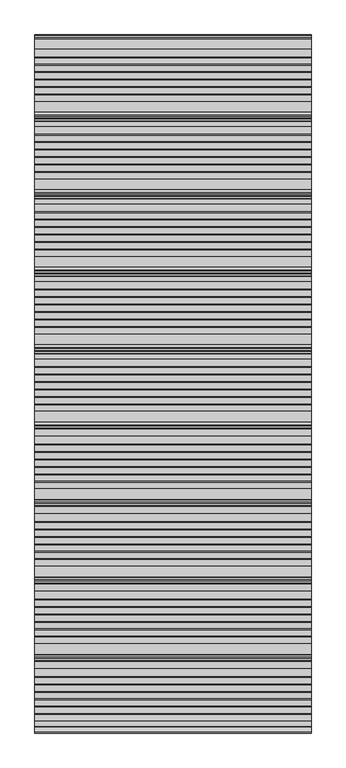
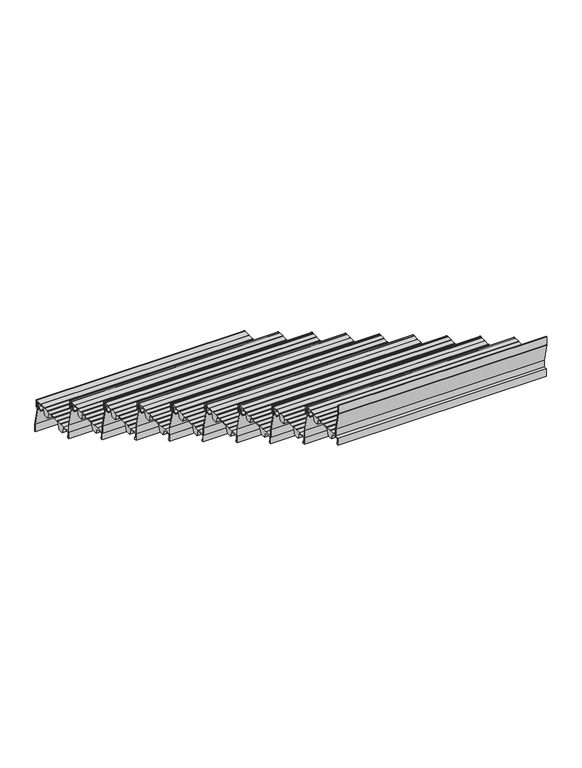
"""IFC4 building model written with IfcOpenShell, lengths in millimetres: stair flight geometry."""

from ifc_helpers import new_model, si_unit, point, frame, frame_2d, origin, place, context, project, spatial, polyline, circle_curve, trimmed, segment, composite_curve, outline, extrude, source, transform, mapped, element, save


def stair_flight_9313f477(model_context):
    return source(origin(), model_context, "Body", "SweptSolid", [
        extrude(outline(composite_curve([segment(polyline([(-10493.9543481, 2454.6255246), (-10482.1950555, 2463.7730431), (-10481.5863352, 2482.1121002), (-10498.6918101, 2482.1497993), (-10498.6918101, 2483.3256371), (-10519.2968571, 2483.2802252), (-10532.3695557, 2451.8853795), (-10557.2613358, 2451.8305199), (-10568.1854373, 2482.9835266), (-10638.8561525, 2482.8277739), (-10651.8500999, 2451.6220537), (-10676.74188, 2451.5671942), (-10687.4673614, 2482.1537825), (-10725.6889024, 2482.0695452), (-10725.6889024, 2460.7179675), (-10719.7889347, 2460.7309706), (-10719.7889347, 2451.4723219), (-10728.9832568, 2451.4520583), (-10728.9832568, 2487.3529412), (-10689.9967913, 2487.4388643), (-10689.9967913, 2485.5493441), (-10665.1489171, 2485.5493441), (-10665.1489171, 2487.4936271), (-10663.1143376, 2487.4936271), (-10663.1143376, 2485.5493441), (-10638.277169, 2485.5493441), (-10638.277169, 2487.4936271), (-10636.2425894, 2487.4936271), (-10636.2425894, 2485.5493441), (-10611.3960131, 2485.5493441), (-10611.3960131, 2487.4936271), (-10609.3614336, 2487.4936271), (-10609.3614336, 2485.5493441), (-10584.5148573, 2485.5493441), (-10584.5148573, 2487.4936271), (-10582.4802777, 2487.4936271), (-10582.4802777, 2485.5493441), (-10557.6337014, 2485.5493441), (-10557.6337014, 2487.4936271), (-10555.5991219, 2487.4936271), (-10555.5991219, 2485.5493441), (-10530.7525456, 2485.5493441), (-10530.7525456, 2487.4936271), (-10528.717966, 2487.4936271), (-10528.717966, 2485.90479), (-10498.6918101, 2485.9709653), (-10498.6918101, 2487.3529412), (-10463.9832568, 2487.3529412)]), True, "CONTINUOUS"), segment(trimmed(circle_curve(frame_2d((-10463.9832568, 2482.3529412)), 5.0), [point((-10463.9832568, 2487.3529412))], [point((-10458.9832568, 2482.3529412))], False, "CARTESIAN"), True, "CONTINUOUS"), segment(polyline([(-10458.9832568, 2482.3529412), (-10458.9832568, 2451.4723219), (-10468.1775789, 2451.4723219), (-10468.1775789, 2460.7309706), (-10462.2776112, 2460.7179675), (-10462.2776112, 2482.0695452), (-10479.0975213, 2482.106615), (-10479.7547193, 2462.3070603), (-10493.0405433, 2451.9720575), (-10497.3980683, 2451.9624539), (-10497.4039207, 2454.617922), (-10493.9543481, 2454.6255246)]), True, "CONTINUOUS")], self_intersect=False)), frame((-9819.2515248, 0.0, 0.0), z_axis=(1.0, 0.0, 0.0), x_axis=(0.0, 1.0, 0.0)), (0.0, 0.0, 1.0), 1000.0),
        extrude(outline(composite_curve([segment(polyline([(-10470.488594, 2487.3529412), (-10470.488594, 2445.5828252), (-10449.1102585, 2356.6185102)]), True, "CONTINUOUS"), segment(trimmed(circle_curve(frame_2d((-10453.5715586, 2355.5464492)), 4.5883018), [point((-10449.1102585, 2356.6185102))], [point((-10448.9832568, 2355.5464492))], False, "CARTESIAN"), True, "CONTINUOUS"), segment(polyline([(-10448.9832568, 2355.5464492), (-10448.9832568, 2319.8529412), (-10450.9835071, 2319.8529412), (-10450.9835071, 2355.8556971), (-10472.3824398, 2444.9057257)]), True, "CONTINUOUS"), segment(trimmed(circle_curve(frame_2d((-10468.6124568, 2445.8116616)), 3.8773048), [point((-10472.3824398, 2444.9057257))], [point((-10472.4888443, 2445.8959915))], False, "CARTESIAN"), True, "CONTINUOUS"), segment(polyline([(-10472.4888443, 2445.8959915), (-10472.4888443, 2487.3529412), (-10470.488594, 2487.3529412)]), True, "CONTINUOUS")], self_intersect=False)), frame((-9819.2515248, 0.0, 0.0), z_axis=(1.0, 0.0, 0.0), x_axis=(0.0, 1.0, 0.0)), (0.0, 0.0, 1.0), 1000.0),
        extrude(outline(composite_curve([segment(polyline([(-10750.488594, 2653.1764706), (-10750.488594, 2611.4063546), (-10729.1102585, 2522.4420396)]), True, "CONTINUOUS"), segment(trimmed(circle_curve(frame_2d((-10733.5715586, 2521.3699786)), 4.5883018), [point((-10729.1102585, 2522.4420396))], [point((-10728.9832568, 2521.3699786))], False, "CARTESIAN"), True, "CONTINUOUS"), segment(polyline([(-10728.9832568, 2521.3699786), (-10728.9832568, 2485.6764706), (-10730.9835071, 2485.6764706), (-10730.9835071, 2521.6792265), (-10752.3824398, 2610.7292551)]), True, "CONTINUOUS"), segment(trimmed(circle_curve(frame_2d((-10748.6124568, 2611.635191)), 3.8773048), [point((-10752.3824398, 2610.7292551))], [point((-10752.4888443, 2611.7195209))], False, "CARTESIAN"), True, "CONTINUOUS"), segment(polyline([(-10752.4888443, 2611.7195209), (-10752.4888443, 2653.1764706), (-10750.488594, 2653.1764706)]), True, "CONTINUOUS")], self_intersect=False)), frame((-9819.2515248, 0.0, 0.0), z_axis=(1.0, 0.0, 0.0), x_axis=(0.0, 1.0, 0.0)), (0.0, 0.0, 1.0), 1000.0),
        extrude(outline(composite_curve([segment(polyline([(-10773.9543481, 2620.449054), (-10762.1950555, 2629.5965725), (-10761.5863352, 2647.9356296), (-10778.6918101, 2647.9733287), (-10778.6918101, 2649.1491665), (-10799.2968571, 2649.1037546), (-10812.3695557, 2617.7089089), (-10837.2613358, 2617.6540494), (-10848.1854373, 2648.807056), (-10918.8561525, 2648.6513033), (-10931.8500999, 2617.4455831), (-10956.74188, 2617.3907236), (-10967.4673614, 2647.9773119), (-11005.6889024, 2647.8930747), (-11005.6889024, 2626.5414969), (-10999.7889347, 2626.5545), (-10999.7889347, 2617.2958513), (-11008.9832568, 2617.2755877), (-11008.9832568, 2653.1764706), (-10969.9967913, 2653.2623937), (-10969.9967913, 2651.3728736), (-10945.1489171, 2651.3728736), (-10945.1489171, 2653.3171565), (-10943.1143376, 2653.3171565), (-10943.1143376, 2651.3728736), (-10918.277169, 2651.3728736), (-10918.277169, 2653.3171565), (-10916.2425894, 2653.3171565), (-10916.2425894, 2651.3728736), (-10891.3960131, 2651.3728736), (-10891.3960131, 2653.3171565), (-10889.3614336, 2653.3171565), (-10889.3614336, 2651.3728736), (-10864.5148573, 2651.3728736), (-10864.5148573, 2653.3171565), (-10862.4802777, 2653.3171565), (-10862.4802777, 2651.3728736), (-10837.6337014, 2651.3728736), (-10837.6337014, 2653.3171565), (-10835.5991219, 2653.3171565), (-10835.5991219, 2651.3728736), (-10810.7525456, 2651.3728736), (-10810.7525456, 2653.3171565), (-10808.717966, 2653.3171565), (-10808.717966, 2651.7283194), (-10778.6918101, 2651.7944947), (-10778.6918101, 2653.1764706), (-10743.9832568, 2653.1764706)]), True, "CONTINUOUS"), segment(trimmed(circle_curve(frame_2d((-10743.9832568, 2648.1764706)), 5.0), [point((-10743.9832568, 2653.1764706))], [point((-10738.9832568, 2648.1764706))], False, "CARTESIAN"), True, "CONTINUOUS"), segment(polyline([(-10738.9832568, 2648.1764706), (-10738.9832568, 2617.2958513), (-10748.1775789, 2617.2958513), (-10748.1775789, 2626.5545), (-10742.2776112, 2626.5414969), (-10742.2776112, 2647.8930747), (-10759.0975213, 2647.9301444), (-10759.7547193, 2628.1305897), (-10773.0405433, 2617.7955869), (-10777.3980683, 2617.7859833), (-10777.4039207, 2620.4414514), (-10773.9543481, 2620.449054)]), True, "CONTINUOUS")], self_intersect=False)), frame((-9819.2515248, 0.0, 0.0), z_axis=(1.0, 0.0, 0.0), x_axis=(0.0, 1.0, 0.0)), (0.0, 0.0, 1.0), 1000.0),
        extrude(outline(composite_curve([segment(polyline([(-11030.488594, 2819.0), (-11030.488594, 2777.229884), (-11009.1102585, 2688.265569)]), True, "CONTINUOUS"), segment(trimmed(circle_curve(frame_2d((-11013.5715586, 2687.193508)), 4.5883018), [point((-11009.1102585, 2688.265569))], [point((-11008.9832568, 2687.193508))], False, "CARTESIAN"), True, "CONTINUOUS"), segment(polyline([(-11008.9832568, 2687.193508), (-11008.9832568, 2651.5), (-11010.9835071, 2651.5), (-11010.9835071, 2687.5027559), (-11032.3824398, 2776.5527846)]), True, "CONTINUOUS"), segment(trimmed(circle_curve(frame_2d((-11028.6124568, 2777.4587204)), 3.8773048), [point((-11032.3824398, 2776.5527846))], [point((-11032.4888443, 2777.5430503))], False, "CARTESIAN"), True, "CONTINUOUS"), segment(polyline([(-11032.4888443, 2777.5430503), (-11032.4888443, 2819.0), (-11030.488594, 2819.0)]), True, "CONTINUOUS")], self_intersect=False)), frame((-9819.2515248, 0.0, 0.0), z_axis=(1.0, 0.0, 0.0), x_axis=(0.0, 1.0, 0.0)), (0.0, 0.0, 1.0), 1000.0),
        extrude(outline(composite_curve([segment(polyline([(-11053.9543481, 2786.2725834), (-11042.1950555, 2795.4201019), (-11041.5863352, 2813.759159), (-11058.6918101, 2813.7968581), (-11058.6918101, 2814.9726959), (-11079.2968571, 2814.927284), (-11092.3695557, 2783.5324383), (-11117.2613358, 2783.4775788), (-11128.1854373, 2814.6305854), (-11198.8561525, 2814.4748327), (-11211.8500999, 2783.2691125), (-11236.74188, 2783.214253), (-11247.4673614, 2813.8008414), (-11285.6889024, 2813.7166041), (-11285.6889024, 2792.3650264), (-11279.7889347, 2792.3780294), (-11279.7889347, 2783.1193807), (-11288.9832568, 2783.0991171), (-11288.9832568, 2819.0), (-11249.9967913, 2819.0859231), (-11249.9967913, 2817.196403), (-11225.1489171, 2817.196403), (-11225.1489171, 2819.1406859), (-11223.1143376, 2819.1406859), (-11223.1143376, 2817.196403), (-11198.277169, 2817.196403), (-11198.277169, 2819.1406859), (-11196.2425894, 2819.1406859), (-11196.2425894, 2817.196403), (-11171.3960131, 2817.196403), (-11171.3960131, 2819.1406859), (-11169.3614336, 2819.1406859), (-11169.3614336, 2817.196403), (-11144.5148573, 2817.196403), (-11144.5148573, 2819.1406859), (-11142.4802777, 2819.1406859), (-11142.4802777, 2817.196403), (-11117.6337014, 2817.196403), (-11117.6337014, 2819.1406859), (-11115.5991219, 2819.1406859), (-11115.5991219, 2817.196403), (-11090.7525456, 2817.196403), (-11090.7525456, 2819.1406859), (-11088.717966, 2819.1406859), (-11088.717966, 2817.5518489), (-11058.6918101, 2817.6180241), (-11058.6918101, 2819.0), (-11023.9832568, 2819.0)]), True, "CONTINUOUS"), segment(trimmed(circle_curve(frame_2d((-11023.9832568, 2814.0)), 5.0), [point((-11023.9832568, 2819.0))], [point((-11018.9832568, 2814.0))], False, "CARTESIAN"), True, "CONTINUOUS"), segment(polyline([(-11018.9832568, 2814.0), (-11018.9832568, 2783.1193807), (-11028.1775789, 2783.1193807), (-11028.1775789, 2792.3780294), (-11022.2776112, 2792.3650264), (-11022.2776112, 2813.7166041), (-11039.0975213, 2813.7536738), (-11039.7547193, 2793.9541191), (-11053.0405433, 2783.6191164), (-11057.3980683, 2783.6095127), (-11057.4039207, 2786.2649808), (-11053.9543481, 2786.2725834)]), True, "CONTINUOUS")], self_intersect=False)), frame((-9819.2515248, 0.0, 0.0), z_axis=(1.0, 0.0, 0.0), x_axis=(0.0, 1.0, 0.0)), (0.0, 0.0, 1.0), 1000.0),
        extrude(outline(composite_curve([segment(polyline([(-11310.488594, 2984.8235294), (-11310.488594, 2943.0534134), (-11289.1102585, 2854.0890984)]), True, "CONTINUOUS"), segment(trimmed(circle_curve(frame_2d((-11293.5715586, 2853.0170374)), 4.5883018), [point((-11289.1102585, 2854.0890984))], [point((-11288.9832568, 2853.0170374))], False, "CARTESIAN"), True, "CONTINUOUS"), segment(polyline([(-11288.9832568, 2853.0170374), (-11288.9832568, 2817.3235294), (-11290.9835071, 2817.3235294), (-11290.9835071, 2853.3262853), (-11312.3824398, 2942.376314)]), True, "CONTINUOUS"), segment(trimmed(circle_curve(frame_2d((-11308.6124568, 2943.2822498)), 3.8773048), [point((-11312.3824398, 2942.376314))], [point((-11312.4888443, 2943.3665797))], False, "CARTESIAN"), True, "CONTINUOUS"), segment(polyline([(-11312.4888443, 2943.3665797), (-11312.4888443, 2984.8235294), (-11310.488594, 2984.8235294)]), True, "CONTINUOUS")], self_intersect=False)), frame((-9819.2515248, 0.0, 0.0), z_axis=(1.0, 0.0, 0.0), x_axis=(0.0, 1.0, 0.0)), (0.0, 0.0, 1.0), 1000.0),
        extrude(outline(composite_curve([segment(polyline([(-11333.9543481, 2952.0961128), (-11322.1950555, 2961.2436313), (-11321.5863352, 2979.5826884), (-11338.6918101, 2979.6203875), (-11338.6918101, 2980.7962253), (-11359.2968571, 2980.7508134), (-11372.3695557, 2949.3559677), (-11397.2613358, 2949.3011082), (-11408.1854373, 2980.4541148), (-11478.8561525, 2980.2983621), (-11491.8500999, 2949.092642), (-11516.74188, 2949.0377824), (-11527.4673614, 2979.6243708), (-11565.6889024, 2979.5401335), (-11565.6889024, 2958.1885558), (-11559.7889347, 2958.2015588), (-11559.7889347, 2948.9429101), (-11568.9832568, 2948.9226465), (-11568.9832568, 2984.8235294), (-11529.9967913, 2984.9094525), (-11529.9967913, 2983.0199324), (-11505.1489171, 2983.0199324), (-11505.1489171, 2984.9642153), (-11503.1143376, 2984.9642153), (-11503.1143376, 2983.0199324), (-11478.277169, 2983.0199324), (-11478.277169, 2984.9642153), (-11476.2425894, 2984.9642153), (-11476.2425894, 2983.0199324), (-11451.3960131, 2983.0199324), (-11451.3960131, 2984.9642153), (-11449.3614336, 2984.9642153), (-11449.3614336, 2983.0199324), (-11424.5148573, 2983.0199324), (-11424.5148573, 2984.9642153), (-11422.4802777, 2984.9642153), (-11422.4802777, 2983.0199324), (-11397.6337014, 2983.0199324), (-11397.6337014, 2984.9642153), (-11395.5991219, 2984.9642153), (-11395.5991219, 2983.0199324), (-11370.7525456, 2983.0199324), (-11370.7525456, 2984.9642153), (-11368.717966, 2984.9642153), (-11368.717966, 2983.3753783), (-11338.6918101, 2983.4415536), (-11338.6918101, 2984.8235294), (-11303.9832568, 2984.8235294)]), True, "CONTINUOUS"), segment(trimmed(circle_curve(frame_2d((-11303.9832568, 2979.8235294)), 5.0), [point((-11303.9832568, 2984.8235294))], [point((-11298.9832568, 2979.8235294))], False, "CARTESIAN"), True, "CONTINUOUS"), segment(polyline([(-11298.9832568, 2979.8235294), (-11298.9832568, 2948.9429101), (-11308.1775789, 2948.9429101), (-11308.1775789, 2958.2015588), (-11302.2776112, 2958.1885558), (-11302.2776112, 2979.5401335), (-11319.0975213, 2979.5772032), (-11319.7547193, 2959.7776485), (-11333.0405433, 2949.4426458), (-11337.3980683, 2949.4330421), (-11337.4039207, 2952.0885102), (-11333.9543481, 2952.0961128)]), True, "CONTINUOUS")], self_intersect=False)), frame((-9819.2515248, 0.0, 0.0), z_axis=(1.0, 0.0, 0.0), x_axis=(0.0, 1.0, 0.0)), (0.0, 0.0, 1.0), 1000.0),
        extrude(outline(composite_curve([segment(polyline([(-11590.488594, 3150.6470588), (-11590.488594, 3108.8769428), (-11569.1102585, 3019.9126278)]), True, "CONTINUOUS"), segment(trimmed(circle_curve(frame_2d((-11573.5715586, 3018.8405668)), 4.5883018), [point((-11569.1102585, 3019.9126278))], [point((-11568.9832568, 3018.8405668))], False, "CARTESIAN"), True, "CONTINUOUS"), segment(polyline([(-11568.9832568, 3018.8405668), (-11568.9832568, 2983.1470588), (-11570.9835071, 2983.1470588), (-11570.9835071, 3019.1498147), (-11592.3824398, 3108.1998434)]), True, "CONTINUOUS"), segment(trimmed(circle_curve(frame_2d((-11588.6124568, 3109.1057792)), 3.8773048), [point((-11592.3824398, 3108.1998434))], [point((-11592.4888443, 3109.1901091))], False, "CARTESIAN"), True, "CONTINUOUS"), segment(polyline([(-11592.4888443, 3109.1901091), (-11592.4888443, 3150.6470588), (-11590.488594, 3150.6470588)]), True, "CONTINUOUS")], self_intersect=False)), frame((-9819.2515248, 0.0, 0.0), z_axis=(1.0, 0.0, 0.0), x_axis=(0.0, 1.0, 0.0)), (0.0, 0.0, 1.0), 1000.0),
        extrude(outline(composite_curve([segment(polyline([(-11613.9543481, 3117.9196422), (-11602.1950555, 3127.0671607), (-11601.5863352, 3145.4062178), (-11618.6918101, 3145.4439169), (-11618.6918101, 3146.6197548), (-11639.2968571, 3146.5743428), (-11652.3695557, 3115.1794971), (-11677.2613358, 3115.1246376), (-11688.1854373, 3146.2776442), (-11758.8561525, 3146.1218915), (-11771.8500999, 3114.9161714), (-11796.74188, 3114.8613118), (-11807.4673614, 3145.4479002), (-11845.6889024, 3145.3636629), (-11845.6889024, 3124.0120852), (-11839.7889347, 3124.0250882), (-11839.7889347, 3114.7664395), (-11848.9832568, 3114.7461759), (-11848.9832568, 3150.6470588), (-11809.9967913, 3150.7329819), (-11809.9967913, 3148.8434618), (-11785.1489171, 3148.8434618), (-11785.1489171, 3150.7877447), (-11783.1143376, 3150.7877447), (-11783.1143376, 3148.8434618), (-11758.277169, 3148.8434618), (-11758.277169, 3150.7877447), (-11756.2425894, 3150.7877447), (-11756.2425894, 3148.8434618), (-11731.3960131, 3148.8434618), (-11731.3960131, 3150.7877447), (-11729.3614336, 3150.7877447), (-11729.3614336, 3148.8434618), (-11704.5148573, 3148.8434618), (-11704.5148573, 3150.7877447), (-11702.4802777, 3150.7877447), (-11702.4802777, 3148.8434618), (-11677.6337014, 3148.8434618), (-11677.6337014, 3150.7877447), (-11675.5991219, 3150.7877447), (-11675.5991219, 3148.8434618), (-11650.7525456, 3148.8434618), (-11650.7525456, 3150.7877447), (-11648.717966, 3150.7877447), (-11648.717966, 3149.1989077), (-11618.6918101, 3149.265083), (-11618.6918101, 3150.6470588), (-11583.9832568, 3150.6470588)]), True, "CONTINUOUS"), segment(trimmed(circle_curve(frame_2d((-11583.9832568, 3145.6470588)), 5.0), [point((-11583.9832568, 3150.6470588))], [point((-11578.9832568, 3145.6470588))], False, "CARTESIAN"), True, "CONTINUOUS"), segment(polyline([(-11578.9832568, 3145.6470588), (-11578.9832568, 3114.7664395), (-11588.1775789, 3114.7664395), (-11588.1775789, 3124.0250882), (-11582.2776112, 3124.0120852), (-11582.2776112, 3145.3636629), (-11599.0975213, 3145.4007327), (-11599.7547193, 3125.6011779), (-11613.0405433, 3115.2661752), (-11617.3980683, 3115.2565715), (-11617.4039207, 3117.9120396), (-11613.9543481, 3117.9196422)]), True, "CONTINUOUS")], self_intersect=False)), frame((-9819.2515248, 0.0, 0.0), z_axis=(1.0, 0.0, 0.0), x_axis=(0.0, 1.0, 0.0)), (0.0, 0.0, 1.0), 1000.0),
        extrude(outline(composite_curve([segment(polyline([(-11870.488594, 3316.4705882), (-11870.488594, 3274.7004722), (-11849.1102585, 3185.7361572)]), True, "CONTINUOUS"), segment(trimmed(circle_curve(frame_2d((-11853.5715586, 3184.6640963)), 4.5883018), [point((-11849.1102585, 3185.7361572))], [point((-11848.9832568, 3184.6640963))], False, "CARTESIAN"), True, "CONTINUOUS"), segment(polyline([(-11848.9832568, 3184.6640963), (-11848.9832568, 3148.9705882), (-11850.9835071, 3148.9705882), (-11850.9835071, 3184.9733441), (-11872.3824398, 3274.0233728)]), True, "CONTINUOUS"), segment(trimmed(circle_curve(frame_2d((-11868.6124568, 3274.9293087)), 3.8773048), [point((-11872.3824398, 3274.0233728))], [point((-11872.4888443, 3275.0136385))], False, "CARTESIAN"), True, "CONTINUOUS"), segment(polyline([(-11872.4888443, 3275.0136385), (-11872.4888443, 3316.4705882), (-11870.488594, 3316.4705882)]), True, "CONTINUOUS")], self_intersect=False)), frame((-9819.2515248, 0.0, 0.0), z_axis=(1.0, 0.0, 0.0), x_axis=(0.0, 1.0, 0.0)), (0.0, 0.0, 1.0), 1000.0),
        extrude(outline(composite_curve([segment(polyline([(-11893.9543481, 3283.7431716), (-11882.1950555, 3292.8906902), (-11881.5863352, 3311.2297472), (-11898.6918101, 3311.2674463), (-11898.6918101, 3312.4432842), (-11919.2968571, 3312.3978723), (-11932.3695557, 3281.0030265), (-11957.2613358, 3280.948167), (-11968.1854373, 3312.1011736), (-12038.8561525, 3311.9454209), (-12051.8500999, 3280.7397008), (-12076.74188, 3280.6848412), (-12087.4673614, 3311.2714296), (-12125.6889024, 3311.1871923), (-12125.6889024, 3289.8356146), (-12119.7889347, 3289.8486177), (-12119.7889347, 3280.5899689), (-12128.9832568, 3280.5697053), (-12128.9832568, 3316.4705882), (-12089.9967913, 3316.5565113), (-12089.9967913, 3314.6669912), (-12065.1489171, 3314.6669912), (-12065.1489171, 3316.6112741), (-12063.1143376, 3316.6112741), (-12063.1143376, 3314.6669912), (-12038.277169, 3314.6669912), (-12038.277169, 3316.6112741), (-12036.2425894, 3316.6112741), (-12036.2425894, 3314.6669912), (-12011.3960131, 3314.6669912), (-12011.3960131, 3316.6112741), (-12009.3614336, 3316.6112741), (-12009.3614336, 3314.6669912), (-11984.5148573, 3314.6669912), (-11984.5148573, 3316.6112741), (-11982.4802777, 3316.6112741), (-11982.4802777, 3314.6669912), (-11957.6337014, 3314.6669912), (-11957.6337014, 3316.6112741), (-11955.5991219, 3316.6112741), (-11955.5991219, 3314.6669912), (-11930.7525456, 3314.6669912), (-11930.7525456, 3316.6112741), (-11928.717966, 3316.6112741), (-11928.717966, 3315.0224371), (-11898.6918101, 3315.0886124), (-11898.6918101, 3316.4705882), (-11863.9832568, 3316.4705882)]), True, "CONTINUOUS"), segment(trimmed(circle_curve(frame_2d((-11863.9832568, 3311.4705882)), 5.0), [point((-11863.9832568, 3316.4705882))], [point((-11858.9832568, 3311.4705882))], False, "CARTESIAN"), True, "CONTINUOUS"), segment(polyline([(-11858.9832568, 3311.4705882), (-11858.9832568, 3280.5899689), (-11868.1775789, 3280.5899689), (-11868.1775789, 3289.8486177), (-11862.2776112, 3289.8356146), (-11862.2776112, 3311.1871923), (-11879.0975213, 3311.2242621), (-11879.7547193, 3291.4247073), (-11893.0405433, 3281.0897046), (-11897.3980683, 3281.080101), (-11897.4039207, 3283.735569), (-11893.9543481, 3283.7431716)]), True, "CONTINUOUS")], self_intersect=False)), frame((-9819.2515248, 0.0, 0.0), z_axis=(1.0, 0.0, 0.0), x_axis=(0.0, 1.0, 0.0)), (0.0, 0.0, 1.0), 1000.0),
        extrude(outline(composite_curve([segment(polyline([(-12150.488594, 3482.2941176), (-12150.488594, 3440.5240017), (-12129.1102585, 3351.5596866)]), True, "CONTINUOUS"), segment(trimmed(circle_curve(frame_2d((-12133.5715586, 3350.4876257)), 4.5883018), [point((-12129.1102585, 3351.5596866))], [point((-12128.9832568, 3350.4876257))], False, "CARTESIAN"), True, "CONTINUOUS"), segment(polyline([(-12128.9832568, 3350.4876257), (-12128.9832568, 3314.7941176), (-12130.9835071, 3314.7941176), (-12130.9835071, 3350.7968735), (-12152.3824398, 3439.8469022)]), True, "CONTINUOUS"), segment(trimmed(circle_curve(frame_2d((-12148.6124568, 3440.7528381)), 3.8773048), [point((-12152.3824398, 3439.8469022))], [point((-12152.4888443, 3440.8371679))], False, "CARTESIAN"), True, "CONTINUOUS"), segment(polyline([(-12152.4888443, 3440.8371679), (-12152.4888443, 3482.2941176), (-12150.488594, 3482.2941176)]), True, "CONTINUOUS")], self_intersect=False)), frame((-9819.2515248, 0.0, 0.0), z_axis=(1.0, 0.0, 0.0), x_axis=(0.0, 1.0, 0.0)), (0.0, 0.0, 1.0), 1000.0),
        extrude(outline(composite_curve([segment(polyline([(-12173.9543481, 3449.566701), (-12162.1950555, 3458.7142196), (-12161.5863352, 3477.0532766), (-12178.6918101, 3477.0909758), (-12178.6918101, 3478.2668136), (-12199.2968571, 3478.2214017), (-12212.3695557, 3446.8265559), (-12237.2613358, 3446.7716964), (-12248.1854373, 3477.9247031), (-12318.8561525, 3477.7689503), (-12331.8500999, 3446.5632302), (-12356.74188, 3446.5083707), (-12367.4673614, 3477.094959), (-12405.6889024, 3477.0107217), (-12405.6889024, 3455.659144), (-12399.7889347, 3455.6721471), (-12399.7889347, 3446.4134983), (-12408.9832568, 3446.3932348), (-12408.9832568, 3482.2941176), (-12369.9967913, 3482.3800408), (-12369.9967913, 3480.4905206), (-12345.1489171, 3480.4905206), (-12345.1489171, 3482.4348035), (-12343.1143376, 3482.4348035), (-12343.1143376, 3480.4905206), (-12318.277169, 3480.4905206), (-12318.277169, 3482.4348035), (-12316.2425894, 3482.4348035), (-12316.2425894, 3480.4905206), (-12291.3960131, 3480.4905206), (-12291.3960131, 3482.4348035), (-12289.3614336, 3482.4348035), (-12289.3614336, 3480.4905206), (-12264.5148573, 3480.4905206), (-12264.5148573, 3482.4348035), (-12262.4802777, 3482.4348035), (-12262.4802777, 3480.4905206), (-12237.6337014, 3480.4905206), (-12237.6337014, 3482.4348035), (-12235.5991219, 3482.4348035), (-12235.5991219, 3480.4905206), (-12210.7525456, 3480.4905206), (-12210.7525456, 3482.4348035), (-12208.717966, 3482.4348035), (-12208.717966, 3480.8459665), (-12178.6918101, 3480.9121418), (-12178.6918101, 3482.2941176), (-12143.9832568, 3482.2941176)]), True, "CONTINUOUS"), segment(trimmed(circle_curve(frame_2d((-12143.9832568, 3477.2941176)), 5.0), [point((-12143.9832568, 3482.2941176))], [point((-12138.9832568, 3477.2941176))], False, "CARTESIAN"), True, "CONTINUOUS"), segment(polyline([(-12138.9832568, 3477.2941176), (-12138.9832568, 3446.4134983), (-12148.1775789, 3446.4134983), (-12148.1775789, 3455.6721471), (-12142.2776112, 3455.659144), (-12142.2776112, 3477.0107217), (-12159.0975213, 3477.0477915), (-12159.7547193, 3457.2482367), (-12173.0405433, 3446.913234), (-12177.3980683, 3446.9036304), (-12177.4039207, 3449.5590984), (-12173.9543481, 3449.566701)]), True, "CONTINUOUS")], self_intersect=False)), frame((-9819.2515248, 0.0, 0.0), z_axis=(1.0, 0.0, 0.0), x_axis=(0.0, 1.0, 0.0)), (0.0, 0.0, 1.0), 1000.0),
        extrude(outline(composite_curve([segment(polyline([(-12430.488594, 3648.1176471), (-12430.488594, 3606.3475311), (-12409.1102585, 3517.3832161)]), True, "CONTINUOUS"), segment(trimmed(circle_curve(frame_2d((-12413.5715586, 3516.3111551)), 4.5883018), [point((-12409.1102585, 3517.3832161))], [point((-12408.9832568, 3516.3111551))], False, "CARTESIAN"), True, "CONTINUOUS"), segment(polyline([(-12408.9832568, 3516.3111551), (-12408.9832568, 3480.6176471), (-12410.9835071, 3480.6176471), (-12410.9835071, 3516.620403), (-12432.3824398, 3605.6704316)]), True, "CONTINUOUS"), segment(trimmed(circle_curve(frame_2d((-12428.6124568, 3606.5763675)), 3.8773048), [point((-12432.3824398, 3605.6704316))], [point((-12432.4888443, 3606.6606973))], False, "CARTESIAN"), True, "CONTINUOUS"), segment(polyline([(-12432.4888443, 3606.6606973), (-12432.4888443, 3648.1176471), (-12430.488594, 3648.1176471)]), True, "CONTINUOUS")], self_intersect=False)), frame((-9819.2515248, 0.0, 0.0), z_axis=(1.0, 0.0, 0.0), x_axis=(0.0, 1.0, 0.0)), (0.0, 0.0, 1.0), 1000.0),
        extrude(outline(composite_curve([segment(polyline([(-12453.9543481, 3615.3902304), (-12442.1950555, 3624.537749), (-12441.5863352, 3642.876806), (-12458.6918101, 3642.9145052), (-12458.6918101, 3644.090343), (-12479.2968571, 3644.0449311), (-12492.3695557, 3612.6500854), (-12517.2613358, 3612.5952258), (-12528.1854373, 3643.7482325), (-12598.8561525, 3643.5924798), (-12611.8500999, 3612.3867596), (-12636.74188, 3612.3319001), (-12647.4673614, 3642.9184884), (-12685.6889024, 3642.8342511), (-12685.6889024, 3621.4826734), (-12679.7889347, 3621.4956765), (-12679.7889347, 3612.2370277), (-12688.9832568, 3612.2167642), (-12688.9832568, 3648.1176471), (-12649.9967913, 3648.2035702), (-12649.9967913, 3646.31405), (-12625.1489171, 3646.31405), (-12625.1489171, 3648.2583329), (-12623.1143376, 3648.2583329), (-12623.1143376, 3646.31405), (-12598.277169, 3646.31405), (-12598.277169, 3648.2583329), (-12596.2425894, 3648.2583329), (-12596.2425894, 3646.31405), (-12571.3960131, 3646.31405), (-12571.3960131, 3648.2583329), (-12569.3614336, 3648.2583329), (-12569.3614336, 3646.31405), (-12544.5148573, 3646.31405), (-12544.5148573, 3648.2583329), (-12542.4802777, 3648.2583329), (-12542.4802777, 3646.31405), (-12517.6337014, 3646.31405), (-12517.6337014, 3648.2583329), (-12515.5991219, 3648.2583329), (-12515.5991219, 3646.31405), (-12490.7525456, 3646.31405), (-12490.7525456, 3648.2583329), (-12488.717966, 3648.2583329), (-12488.717966, 3646.6694959), (-12458.6918101, 3646.7356712), (-12458.6918101, 3648.1176471), (-12423.9832568, 3648.1176471)]), True, "CONTINUOUS"), segment(trimmed(circle_curve(frame_2d((-12423.9832568, 3643.1176471)), 5.0), [point((-12423.9832568, 3648.1176471))], [point((-12418.9832568, 3643.1176471))], False, "CARTESIAN"), True, "CONTINUOUS"), segment(polyline([(-12418.9832568, 3643.1176471), (-12418.9832568, 3612.2370277), (-12428.1775789, 3612.2370277), (-12428.1775789, 3621.4956765), (-12422.2776112, 3621.4826734), (-12422.2776112, 3642.8342511), (-12439.0975213, 3642.8713209), (-12439.7547193, 3623.0717661), (-12453.0405433, 3612.7367634), (-12457.3980683, 3612.7271598), (-12457.4039207, 3615.3826279), (-12453.9543481, 3615.3902304)]), True, "CONTINUOUS")], self_intersect=False)), frame((-9819.2515248, 0.0, 0.0), z_axis=(1.0, 0.0, 0.0), x_axis=(0.0, 1.0, 0.0)), (0.0, 0.0, 1.0), 1000.0),
        extrude(outline(composite_curve([segment(polyline([(-12970.488594, 3979.7647059), (-12970.488594, 3937.9945899), (-12949.1102585, 3849.0302749)]), True, "CONTINUOUS"), segment(trimmed(circle_curve(frame_2d((-12953.5715586, 3847.9582139)), 4.5883018), [point((-12949.1102585, 3849.0302749))], [point((-12948.9832568, 3847.9582139))], False, "CARTESIAN"), True, "CONTINUOUS"), segment(polyline([(-12948.9832568, 3847.9582139), (-12948.9832568, 3812.2647059), (-12950.9835071, 3812.2647059), (-12950.9835071, 3848.2674618), (-12972.3824398, 3937.3174904)]), True, "CONTINUOUS"), segment(trimmed(circle_curve(frame_2d((-12968.6124568, 3938.2234263)), 3.8773048), [point((-12972.3824398, 3937.3174904))], [point((-12972.4888443, 3938.3077562))], False, "CARTESIAN"), True, "CONTINUOUS"), segment(polyline([(-12972.4888443, 3938.3077562), (-12972.4888443, 3979.7647059), (-12970.488594, 3979.7647059)]), True, "CONTINUOUS")], self_intersect=False)), frame((-9819.2515248, 0.0, 0.0), z_axis=(1.0, 0.0, 0.0), x_axis=(0.0, 1.0, 0.0)), (0.0, 0.0, 1.0), 1000.0),
        extrude(outline(composite_curve([segment(polyline([(-12710.488594, 3813.9411765), (-12710.488594, 3772.1710605), (-12689.1102585, 3683.2067455)]), True, "CONTINUOUS"), segment(trimmed(circle_curve(frame_2d((-12693.5715586, 3682.1346845)), 4.5883018), [point((-12689.1102585, 3683.2067455))], [point((-12688.9832568, 3682.1346845))], False, "CARTESIAN"), True, "CONTINUOUS"), segment(polyline([(-12688.9832568, 3682.1346845), (-12688.9832568, 3646.4411765), (-12690.9835071, 3646.4411765), (-12690.9835071, 3682.4439324), (-12712.3824398, 3771.493961)]), True, "CONTINUOUS"), segment(trimmed(circle_curve(frame_2d((-12708.6124568, 3772.3998969)), 3.8773048), [point((-12712.3824398, 3771.493961))], [point((-12712.4888443, 3772.4842267))], False, "CARTESIAN"), True, "CONTINUOUS"), segment(polyline([(-12712.4888443, 3772.4842267), (-12712.4888443, 3813.9411765), (-12710.488594, 3813.9411765)]), True, "CONTINUOUS")], self_intersect=False)), frame((-9819.2515248, 0.0, 0.0), z_axis=(1.0, 0.0, 0.0), x_axis=(0.0, 1.0, 0.0)), (0.0, 0.0, 1.0), 1000.0),
        extrude(outline(composite_curve([segment(polyline([(-12733.9543481, 3781.2137599), (-12722.1950555, 3790.3612784), (-12721.5863352, 3808.7003355), (-12738.6918101, 3808.7380346), (-12738.6918101, 3809.9138724), (-12759.2968571, 3809.8684605), (-12772.3695557, 3778.4736148), (-12797.2613358, 3778.4187552), (-12808.1854373, 3809.5717619), (-12878.8561525, 3809.4160092), (-12891.8500999, 3778.210289), (-12916.74188, 3778.1554295), (-12927.4673614, 3808.7420178), (-12965.6889024, 3808.6577805), (-12965.6889024, 3787.3062028), (-12959.7889347, 3787.3192059), (-12959.7889347, 3778.0605571), (-12968.9832568, 3778.0402936), (-12968.9832568, 3813.9411765), (-12929.9967913, 3814.0270996), (-12929.9967913, 3812.1375794), (-12905.1489171, 3812.1375794), (-12905.1489171, 3814.0818624), (-12903.1143376, 3814.0818624), (-12903.1143376, 3812.1375794), (-12878.277169, 3812.1375794), (-12878.277169, 3814.0818624), (-12876.2425894, 3814.0818624), (-12876.2425894, 3812.1375794), (-12851.3960131, 3812.1375794), (-12851.3960131, 3814.0818624), (-12849.3614336, 3814.0818624), (-12849.3614336, 3812.1375794), (-12824.5148573, 3812.1375794), (-12824.5148573, 3814.0818624), (-12822.4802777, 3814.0818624), (-12822.4802777, 3812.1375794), (-12797.6337014, 3812.1375794), (-12797.6337014, 3814.0818624), (-12795.5991219, 3814.0818624), (-12795.5991219, 3812.1375794), (-12770.7525456, 3812.1375794), (-12770.7525456, 3814.0818624), (-12768.717966, 3814.0818624), (-12768.717966, 3812.4930253), (-12738.6918101, 3812.5592006), (-12738.6918101, 3813.9411765), (-12703.9832568, 3813.9411765)]), True, "CONTINUOUS"), segment(trimmed(circle_curve(frame_2d((-12703.9832568, 3808.9411765)), 5.0), [point((-12703.9832568, 3813.9411765))], [point((-12698.9832568, 3808.9411765))], False, "CARTESIAN"), True, "CONTINUOUS"), segment(polyline([(-12698.9832568, 3808.9411765), (-12698.9832568, 3778.0605571), (-12708.1775789, 3778.0605571), (-12708.1775789, 3787.3192059), (-12702.2776112, 3787.3062028), (-12702.2776112, 3808.6577805), (-12719.0975213, 3808.6948503), (-12719.7547193, 3788.8952956), (-12733.0405433, 3778.5602928), (-12737.3980683, 3778.5506892), (-12737.4039207, 3781.2061573), (-12733.9543481, 3781.2137599)]), True, "CONTINUOUS")], self_intersect=False)), frame((-9819.2515248, 0.0, 0.0), z_axis=(1.0, 0.0, 0.0), x_axis=(0.0, 1.0, 0.0)), (0.0, 0.0, 1.0), 1000.0),
    ])


if __name__ == "__main__":
    model = new_model("IFC4")
    model_context = context("Model", 3, world=origin())
    ifc_project = project(units=[si_unit("LENGTHUNIT", "METRE", prefix="MILLI")], contexts=[model_context])
    site = spatial("IfcSite", under=ifc_project)
    building = spatial("IfcBuilding", under=site)
    placement = place(None, origin())
    stair_flight_shape = stair_flight_9313f477(model_context)
    element("IfcStairFlight", 1, at=placement, inside=building, context=model_context, shape_type="MappedRepresentation", body=[
        mapped(stair_flight_shape, transform((0.0, 0.0, 0.0), x_axis=(1.0, 0.0, 0.0), y_axis=(0.0, 1.0, 0.0), z_axis=(0.0, 0.0, 1.0))),
    ])
    save(model, "model.ifc")
